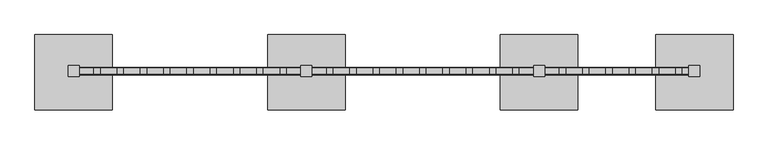
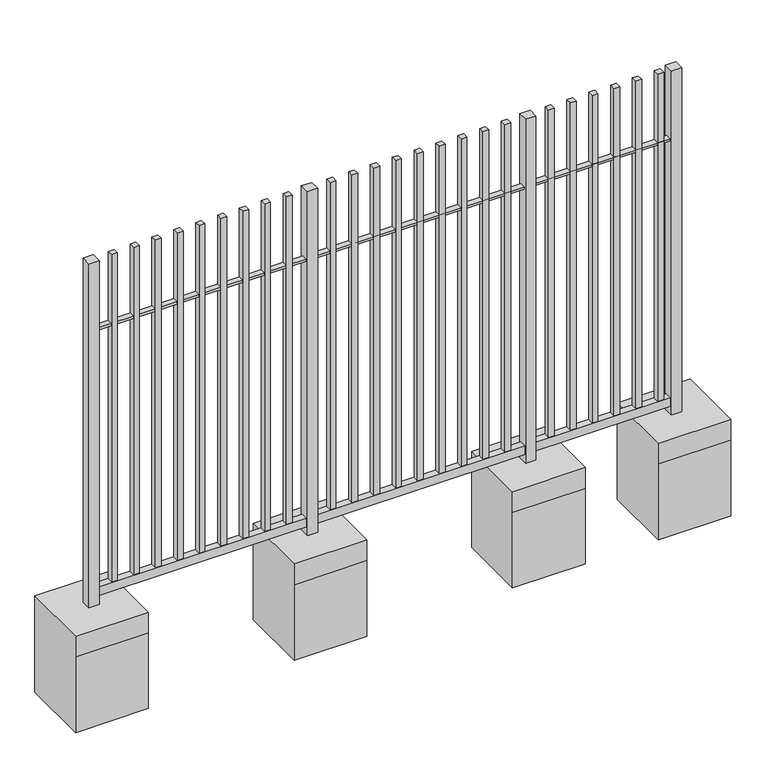
"""IFC4 building model written with IfcOpenShell, lengths in millimetres: railing geometry."""

from ifc_helpers import new_model, si_unit, frame, origin, origin_with_axes, place, context, project, spatial, polyline, outline, extrude, source, transform, mapped, element, save


def railing_d197f036(model_context):
    return source(origin(), model_context, "Body", "SweptSolid", [
        extrude(outline(polyline([(19292.9309264, 1013.486381), (19292.9309264, 1063.486381), (23292.9309264, 1063.486381), (23292.9309264, 1013.486381), (19292.9309264, 1013.486381)])), frame((0.0, 0.0, 60.0), z_axis=(0.0, 0.0, 1.0), x_axis=(1.0, 0.0, 0.0)), (0.0, 0.0, 1.0), 60.0),
        extrude(outline(polyline([(19292.9309264, 1019.486381), (19292.9309264, 1057.486381), (23292.9309264, 1057.486381), (23292.9309264, 1019.486381), (19292.9309264, 1019.486381)])), frame((0.0, 0.0, 1984.0), z_axis=(0.0, 0.0, 1.0), x_axis=(1.0, 0.0, 0.0)), (0.0, 0.0, 1.0), 16.0),
        extrude(outline(polyline([(23212.9309264, 1058.486381), (23212.9309264, 1018.486381), (23172.9309264, 1018.486381), (23172.9309264, 1058.486381), (23212.9309264, 1058.486381)])), frame((0.0, 0.0, 120.0), z_axis=(0.0, 0.0, 1.0), x_axis=(1.0, 0.0, 0.0)), (0.0, 0.0, 1.0), 2380.0),
        extrude(outline(polyline([(23062.9309264, 1058.486381), (23062.9309264, 1018.486381), (23022.9309264, 1018.486381), (23022.9309264, 1058.486381), (23062.9309264, 1058.486381)])), frame((0.0, 0.0, 120.0), z_axis=(0.0, 0.0, 1.0), x_axis=(1.0, 0.0, 0.0)), (0.0, 0.0, 1.0), 2380.0),
        extrude(outline(polyline([(22912.9309264, 1058.486381), (22912.9309264, 1018.486381), (22872.9309264, 1018.486381), (22872.9309264, 1058.486381), (22912.9309264, 1058.486381)])), frame((0.0, 0.0, 120.0), z_axis=(0.0, 0.0, 1.0), x_axis=(1.0, 0.0, 0.0)), (0.0, 0.0, 1.0), 2380.0),
        extrude(outline(polyline([(22762.9309264, 1058.486381), (22762.9309264, 1018.486381), (22722.9309264, 1018.486381), (22722.9309264, 1058.486381), (22762.9309264, 1058.486381)])), frame((0.0, 0.0, 120.0), z_axis=(0.0, 0.0, 1.0), x_axis=(1.0, 0.0, 0.0)), (0.0, 0.0, 1.0), 2380.0),
        extrude(outline(polyline([(22612.9309264, 1058.486381), (22612.9309264, 1018.486381), (22572.9309264, 1018.486381), (22572.9309264, 1058.486381), (22612.9309264, 1058.486381)])), frame((0.0, 0.0, 120.0), z_axis=(0.0, 0.0, 1.0), x_axis=(1.0, 0.0, 0.0)), (0.0, 0.0, 1.0), 2380.0),
        extrude(outline(polyline([(22462.9309264, 1058.486381), (22462.9309264, 1018.486381), (22422.9309264, 1018.486381), (22422.9309264, 1058.486381), (22462.9309264, 1058.486381)])), frame((0.0, 0.0, 120.0), z_axis=(0.0, 0.0, 1.0), x_axis=(1.0, 0.0, 0.0)), (0.0, 0.0, 1.0), 2380.0),
        extrude(outline(polyline([(22327.9309264, 1073.486381), (22327.9309264, 1003.486381), (22257.9309264, 1003.486381), (22257.9309264, 1073.486381), (22327.9309264, 1073.486381)])), origin_with_axes(), (0.0, 0.0, 1.0), 2500.0),
        extrude(outline(polyline([(1273.486381, 0.0), (1273.486381, -700.0), (788.486381, -700.0), (788.486381, -150.0), (788.486381, 0.0), (1273.486381, 0.0)])), frame((22042.9309264, 0.0, 0.0), z_axis=(1.0, 0.0, 0.0), x_axis=(0.0, 1.0, 0.0)), (0.0, 0.0, 1.0), 500.0),
        extrude(outline(polyline([(22162.9309264, 1058.486381), (22162.9309264, 1018.486381), (22122.9309264, 1018.486381), (22122.9309264, 1058.486381), (22162.9309264, 1058.486381)])), frame((0.0, 0.0, 120.0), z_axis=(0.0, 0.0, 1.0), x_axis=(1.0, 0.0, 0.0)), (0.0, 0.0, 1.0), 2380.0),
        extrude(outline(polyline([(22012.9309264, 1058.486381), (22012.9309264, 1018.486381), (21972.9309264, 1018.486381), (21972.9309264, 1058.486381), (22012.9309264, 1058.486381)])), frame((0.0, 0.0, 120.0), z_axis=(0.0, 0.0, 1.0), x_axis=(1.0, 0.0, 0.0)), (0.0, 0.0, 1.0), 2380.0),
        extrude(outline(polyline([(21862.9309264, 1058.486381), (21862.9309264, 1018.486381), (21822.9309264, 1018.486381), (21822.9309264, 1058.486381), (21862.9309264, 1058.486381)])), frame((0.0, 0.0, 120.0), z_axis=(0.0, 0.0, 1.0), x_axis=(1.0, 0.0, 0.0)), (0.0, 0.0, 1.0), 2380.0),
        extrude(outline(polyline([(21712.9309264, 1058.486381), (21712.9309264, 1018.486381), (21672.9309264, 1018.486381), (21672.9309264, 1058.486381), (21712.9309264, 1058.486381)])), frame((0.0, 0.0, 120.0), z_axis=(0.0, 0.0, 1.0), x_axis=(1.0, 0.0, 0.0)), (0.0, 0.0, 1.0), 2380.0),
        extrude(outline(polyline([(21562.9309264, 1058.486381), (21562.9309264, 1018.486381), (21522.9309264, 1018.486381), (21522.9309264, 1058.486381), (21562.9309264, 1058.486381)])), frame((0.0, 0.0, 120.0), z_axis=(0.0, 0.0, 1.0), x_axis=(1.0, 0.0, 0.0)), (0.0, 0.0, 1.0), 2380.0),
        extrude(outline(polyline([(21412.9309264, 1058.486381), (21412.9309264, 1018.486381), (21372.9309264, 1018.486381), (21372.9309264, 1058.486381), (21412.9309264, 1058.486381)])), frame((0.0, 0.0, 120.0), z_axis=(0.0, 0.0, 1.0), x_axis=(1.0, 0.0, 0.0)), (0.0, 0.0, 1.0), 2380.0),
        extrude(outline(polyline([(21262.9309264, 1058.486381), (21262.9309264, 1018.486381), (21222.9309264, 1018.486381), (21222.9309264, 1058.486381), (21262.9309264, 1058.486381)])), frame((0.0, 0.0, 120.0), z_axis=(0.0, 0.0, 1.0), x_axis=(1.0, 0.0, 0.0)), (0.0, 0.0, 1.0), 2380.0),
        extrude(outline(polyline([(21112.9309264, 1058.486381), (21112.9309264, 1018.486381), (21072.9309264, 1018.486381), (21072.9309264, 1058.486381), (21112.9309264, 1058.486381)])), frame((0.0, 0.0, 120.0), z_axis=(0.0, 0.0, 1.0), x_axis=(1.0, 0.0, 0.0)), (0.0, 0.0, 1.0), 2380.0),
        extrude(outline(polyline([(20962.9309264, 1058.486381), (20962.9309264, 1018.486381), (20922.9309264, 1018.486381), (20922.9309264, 1058.486381), (20962.9309264, 1058.486381)])), frame((0.0, 0.0, 120.0), z_axis=(0.0, 0.0, 1.0), x_axis=(1.0, 0.0, 0.0)), (0.0, 0.0, 1.0), 2380.0),
        extrude(outline(polyline([(20827.9309264, 1073.486381), (20827.9309264, 1003.486381), (20757.9309264, 1003.486381), (20757.9309264, 1073.486381), (20827.9309264, 1073.486381)])), origin_with_axes(), (0.0, 0.0, 1.0), 2500.0),
        extrude(outline(polyline([(1273.486381, 0.0), (1273.486381, -700.0), (788.486381, -700.0), (788.486381, -150.0), (788.486381, 0.0), (1273.486381, 0.0)])), frame((20542.9309264, 0.0, 0.0), z_axis=(1.0, 0.0, 0.0), x_axis=(0.0, 1.0, 0.0)), (0.0, 0.0, 1.0), 500.0),
        extrude(outline(polyline([(20662.9309264, 1058.486381), (20662.9309264, 1018.486381), (20622.9309264, 1018.486381), (20622.9309264, 1058.486381), (20662.9309264, 1058.486381)])), frame((0.0, 0.0, 120.0), z_axis=(0.0, 0.0, 1.0), x_axis=(1.0, 0.0, 0.0)), (0.0, 0.0, 1.0), 2380.0),
        extrude(outline(polyline([(20512.9309264, 1058.486381), (20512.9309264, 1018.486381), (20472.9309264, 1018.486381), (20472.9309264, 1058.486381), (20512.9309264, 1058.486381)])), frame((0.0, 0.0, 120.0), z_axis=(0.0, 0.0, 1.0), x_axis=(1.0, 0.0, 0.0)), (0.0, 0.0, 1.0), 2380.0),
        extrude(outline(polyline([(20362.9309264, 1058.486381), (20362.9309264, 1018.486381), (20322.9309264, 1018.486381), (20322.9309264, 1058.486381), (20362.9309264, 1058.486381)])), frame((0.0, 0.0, 120.0), z_axis=(0.0, 0.0, 1.0), x_axis=(1.0, 0.0, 0.0)), (0.0, 0.0, 1.0), 2380.0),
        extrude(outline(polyline([(20212.9309264, 1058.486381), (20212.9309264, 1018.486381), (20172.9309264, 1018.486381), (20172.9309264, 1058.486381), (20212.9309264, 1058.486381)])), frame((0.0, 0.0, 120.0), z_axis=(0.0, 0.0, 1.0), x_axis=(1.0, 0.0, 0.0)), (0.0, 0.0, 1.0), 2380.0),
        extrude(outline(polyline([(20062.9309264, 1058.486381), (20062.9309264, 1018.486381), (20022.9309264, 1018.486381), (20022.9309264, 1058.486381), (20062.9309264, 1058.486381)])), frame((0.0, 0.0, 120.0), z_axis=(0.0, 0.0, 1.0), x_axis=(1.0, 0.0, 0.0)), (0.0, 0.0, 1.0), 2380.0),
        extrude(outline(polyline([(19912.9309264, 1058.486381), (19912.9309264, 1018.486381), (19872.9309264, 1018.486381), (19872.9309264, 1058.486381), (19912.9309264, 1058.486381)])), frame((0.0, 0.0, 120.0), z_axis=(0.0, 0.0, 1.0), x_axis=(1.0, 0.0, 0.0)), (0.0, 0.0, 1.0), 2380.0),
        extrude(outline(polyline([(19762.9309264, 1058.486381), (19762.9309264, 1018.486381), (19722.9309264, 1018.486381), (19722.9309264, 1058.486381), (19762.9309264, 1058.486381)])), frame((0.0, 0.0, 120.0), z_axis=(0.0, 0.0, 1.0), x_axis=(1.0, 0.0, 0.0)), (0.0, 0.0, 1.0), 2380.0),
        extrude(outline(polyline([(19612.9309264, 1058.486381), (19612.9309264, 1018.486381), (19572.9309264, 1018.486381), (19572.9309264, 1058.486381), (19612.9309264, 1058.486381)])), frame((0.0, 0.0, 120.0), z_axis=(0.0, 0.0, 1.0), x_axis=(1.0, 0.0, 0.0)), (0.0, 0.0, 1.0), 2380.0),
        extrude(outline(polyline([(19462.9309264, 1058.486381), (19462.9309264, 1018.486381), (19422.9309264, 1018.486381), (19422.9309264, 1058.486381), (19462.9309264, 1058.486381)])), frame((0.0, 0.0, 120.0), z_axis=(0.0, 0.0, 1.0), x_axis=(1.0, 0.0, 0.0)), (0.0, 0.0, 1.0), 2380.0),
        extrude(outline(polyline([(23327.9309264, 1073.486381), (23327.9309264, 1003.486381), (23257.9309264, 1003.486381), (23257.9309264, 1073.486381), (23327.9309264, 1073.486381)])), origin_with_axes(), (0.0, 0.0, 1.0), 2500.0),
        extrude(outline(polyline([(1273.486381, 0.0), (1273.486381, -700.0), (788.486381, -700.0), (788.486381, -150.0), (788.486381, 0.0), (1273.486381, 0.0)])), frame((23042.9309264, 0.0, 0.0), z_axis=(1.0, 0.0, 0.0), x_axis=(0.0, 1.0, 0.0)), (0.0, 0.0, 1.0), 500.0),
        extrude(outline(polyline([(19327.9309264, 1073.486381), (19327.9309264, 1003.486381), (19257.9309264, 1003.486381), (19257.9309264, 1073.486381), (19327.9309264, 1073.486381)])), origin_with_axes(), (0.0, 0.0, 1.0), 2500.0),
        extrude(outline(polyline([(1273.486381, 0.0), (1273.486381, -700.0), (788.486381, -700.0), (788.486381, -150.0), (788.486381, 0.0), (1273.486381, 0.0)])), frame((19042.9309264, 0.0, 0.0), z_axis=(1.0, 0.0, 0.0), x_axis=(0.0, 1.0, 0.0)), (0.0, 0.0, 1.0), 500.0),
    ])


if __name__ == "__main__":
    model = new_model("IFC4")
    model_context = context("Model", 3, world=origin())
    ifc_project = project(units=[si_unit("LENGTHUNIT", "METRE", prefix="MILLI")], contexts=[model_context])
    site = spatial("IfcSite", under=ifc_project)
    building = spatial("IfcBuilding", under=site)
    placement = place(None, origin())
    railing_shape = railing_d197f036(model_context)
    element("IfcRailing", 1, at=placement, inside=building, context=model_context, shape_type="MappedRepresentation", body=[
        mapped(railing_shape, transform((0.0, 0.0, 0.0), x_axis=(1.0, 0.0, 0.0), y_axis=(0.0, 1.0, 0.0), z_axis=(0.0, 0.0, 1.0))),
    ])
    save(model, "model.ifc")
